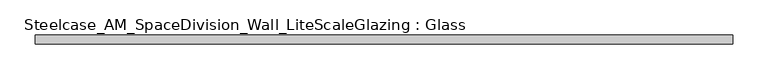
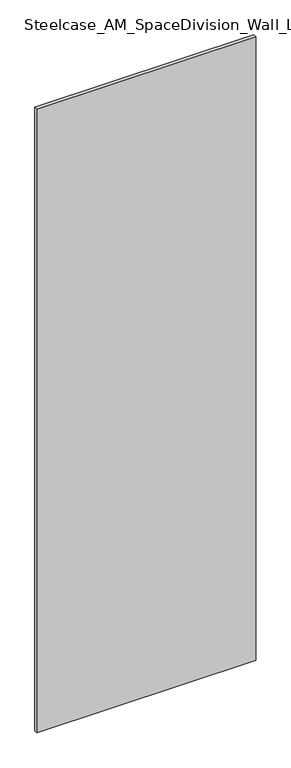
"""IFC4 building model written with IfcOpenShell, lengths in millimetres: plate geometry, Steelcase_AM_SpaceDivision_Wall_LiteScaleGlazing : Glass."""

from ifc_helpers import new_model, si_unit, origin, origin_with_axes, place, context, project, spatial, polyline, outline, extrude, source, transform, mapped, element, save


def steelcase_am_spacedivision_wall_litescaleglazing_glass_314c8aff(model_context):
    return source(origin(), model_context, "Body", "SweptSolid", [
        extrude(outline(polyline([(-493.268, -6.349956), (-493.268, 6.3502015), (493.268, 6.3502015), (493.268, -6.349956), (-493.268, -6.349956)])), origin_with_axes(), (0.0, 0.0, 1.0), 2970.784),
    ])


if __name__ == "__main__":
    model = new_model("IFC4")
    model_context = context("Model", 3, world=origin())
    ifc_project = project(units=[si_unit("LENGTHUNIT", "METRE", prefix="MILLI")], contexts=[model_context])
    site = spatial("IfcSite", under=ifc_project)
    building = spatial("IfcBuilding", under=site)
    placement = place(None, origin())
    steelcase_am_spacedivision_wall_litescaleglazing_glass_shape = steelcase_am_spacedivision_wall_litescaleglazing_glass_314c8aff(model_context)
    element("IfcPlate", 1, ObjectType="Steelcase_AM_SpaceDivision_Wall_LiteScaleGlazing : Glass", at=placement, inside=building, context=model_context, shape_type="MappedRepresentation", body=[
        mapped(steelcase_am_spacedivision_wall_litescaleglazing_glass_shape, transform((0.0, 0.0, 0.0), x_axis=(1.0, 0.0, 0.0), y_axis=(0.0, 1.0, 0.0), z_axis=(0.0, 0.0, 1.0))),
    ])
    save(model, "model.ifc")
